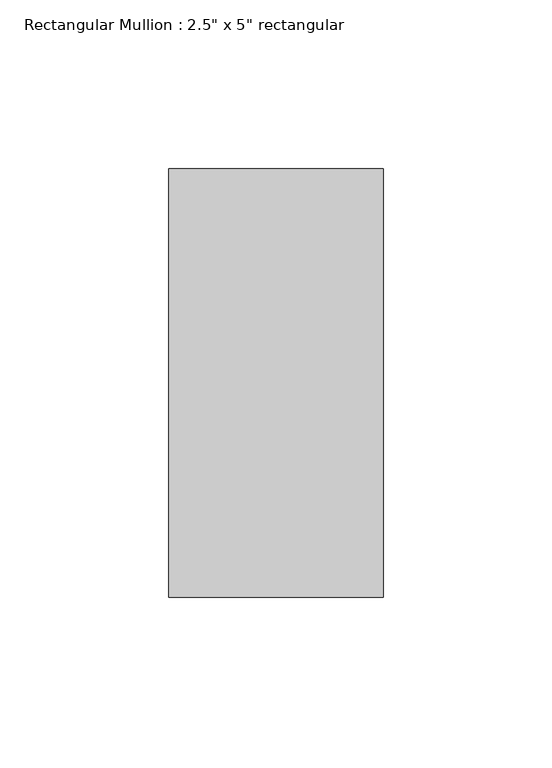
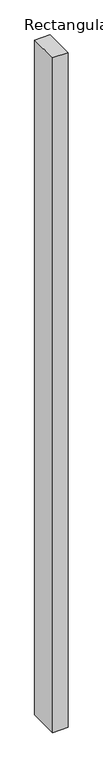
"""IFC4 building model written with IfcOpenShell, lengths in millimetres: member geometry."""

from ifc_helpers import new_model, si_unit, frame, origin, place, context, project, spatial, polyline, outline, extrude, source, transform, mapped, element, save


def member_f15d6343(model_context):
    return source(origin(), model_context, "Body", "SweptSolid", [
        extrude(outline(polyline([(31.75, 63.5), (31.75, -63.5), (-31.75, -63.5), (-31.75, 63.5), (31.75, 63.5)])), frame((0.0, 0.0, -2923.54), z_axis=(0.0, 0.0, 1.0), x_axis=(1.0, 0.0, 0.0)), (0.0, 0.0, 1.0), 2923.54),
    ])


if __name__ == "__main__":
    model = new_model("IFC4")
    model_context = context("Model", 3, world=origin())
    ifc_project = project(units=[si_unit("LENGTHUNIT", "METRE", prefix="MILLI")], contexts=[model_context])
    site = spatial("IfcSite", under=ifc_project)
    building = spatial("IfcBuilding", under=site)
    placement = place(None, origin())
    member_shape = member_f15d6343(model_context)
    element("IfcMember", 1, ObjectType="Rectangular Mullion : 2.5\" x 5\" rectangular", at=placement, inside=building, context=model_context, shape_type="MappedRepresentation", body=[
        mapped(member_shape, transform((0.0, 0.0, 0.0), x_axis=(1.0, 0.0, 0.0), y_axis=(0.0, 1.0, 0.0), z_axis=(0.0, 0.0, 1.0))),
    ])
    save(model, "model.ifc")
